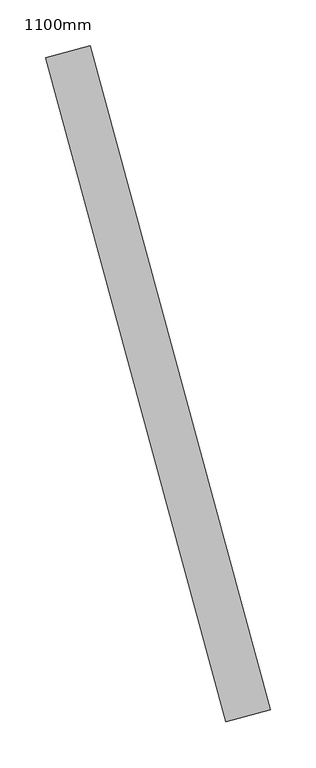
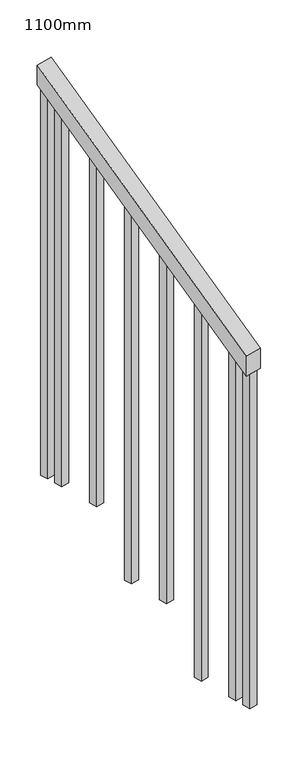
"""IFC4 building model written with IfcOpenShell, lengths in millimetres: railing geometry, 1100mm."""

import ifcopenshell
import ifcopenshell.guid

model = None  # the IFC model being written
_history = None  # IfcOwnerHistory: only IFC2X3 demands one
_inside = {}  # id of a spatial element -> (the spatial element, [elements in it])
_under = {}  # id of a project, library or spatial element -> (it, [spatial elements below it])
_declared = {}  # id of a project -> (the project, [libraries it declares])
_typed = {}  # id of a type object -> (the type object, [elements of that type])
_made_of = {}  # id of a material, layer set ... -> (it, [elements and type objects made of it])


def new_model(schema):
    """Start an empty IFC model of exactly this schema.

    Asked for "IFC4X3", IfcOpenShell would pick the latest addendum, in which some entities
    have other attributes; the version numbers below select the first issue.
    IFC2X3 requires an IfcOwnerHistory on every rooted entity: one is made here for all.
    """
    global model, _history
    if schema == "IFC4X3":
        model = ifcopenshell.file(schema_version=(4, 3, 0, 0))
    else:
        model = ifcopenshell.file(schema=schema)
    _inside.clear()
    _under.clear()
    _declared.clear()
    _typed.clear()
    _made_of.clear()
    _history = None
    if model.schema == "IFC2X3":
        org = make("IfcOrganization", Name="unknown")
        user = make(
            "IfcPersonAndOrganization",
            ThePerson=make("IfcPerson", FamilyName="unknown"),
            TheOrganization=org,
        )
        app = make(
            "IfcApplication",
            ApplicationDeveloper=org,
            Version="unknown",
            ApplicationFullName="unknown",
            ApplicationIdentifier="unknown",
        )
        _history = make(
            "IfcOwnerHistory",
            OwningUser=user,
            OwningApplication=app,
            ChangeAction="ADDED",
            CreationDate=0,
        )
    return model


def make(cls, **values):
    """One entity of the class cls with the attributes given. An attribute that is None is left unset."""
    return model.create_entity(
        cls, **{name: value for name, value in values.items() if value is not None}
    )


def rooted(cls, **values):
    """An entity with a GlobalId (a new one), such as an element, a storey or a relation."""
    return make(cls, GlobalId=ifcopenshell.guid.new(), OwnerHistory=_history, **values)


def si_unit(unit_type, name, prefix=None):
    """IfcSIUnit, for example si_unit("LENGTHUNIT", "METRE", prefix="MILLI")."""
    return make("IfcSIUnit", UnitType=unit_type, Prefix=prefix, Name=name)


def assignment(units):
    """IfcUnitAssignment: the units of a project."""
    return None if units is None else make("IfcUnitAssignment", Units=units)


def point(xyz):
    """IfcCartesianPoint."""
    return None if xyz is None else make("IfcCartesianPoint", Coordinates=xyz)


def direction(xyz):
    """IfcDirection."""
    return None if xyz is None else make("IfcDirection", DirectionRatios=xyz)


def frame(location, z_axis=None, x_axis=None):
    """IfcAxis2Placement3D, a coordinate frame: its origin and axes. An axis left out is left unset."""
    return make(
        "IfcAxis2Placement3D",
        Location=point(location),
        Axis=direction(z_axis),
        RefDirection=direction(x_axis),
    )


def origin():
    """The frame at (0, 0, 0) with its axes left unset."""
    return frame((0.0, 0.0, 0.0))


def place(relative_to, where):
    """IfcLocalPlacement: puts the frame where relative to a parent placement (None: the world)."""
    return make(
        "IfcLocalPlacement", PlacementRelTo=relative_to, RelativePlacement=where
    )


def context(
    kind, dimensions, precision=None, world=None, true_north=None, identifier=None
):
    """IfcGeometricRepresentationContext, for example the 3D "Model" context."""
    return make(
        "IfcGeometricRepresentationContext",
        ContextIdentifier=identifier,
        ContextType=kind,
        CoordinateSpaceDimension=dimensions,
        Precision=precision,
        WorldCoordinateSystem=world,
        TrueNorth=true_north,
    )


def project(units=None, contexts=None):
    """IfcProject with its units and contexts."""
    return rooted(
        "IfcProject",
        Name="project",
        RepresentationContexts=contexts,
        UnitsInContext=assignment(units),
    )


def spatial(cls, under=None, at=None, **own):
    """A site, building, storey or space (cls), placed at a placement, below another one or the project."""
    s = rooted(cls, ObjectPlacement=at, **own)
    if under is not None:
        _under.setdefault(under.id(), (under, []))[1].append(s)
    return s


def polyline(points):
    """IfcPolyline through the points."""
    return make("IfcPolyline", Points=[point(p) for p in points])


def outline(outer, holes=None, kind="AREA"):
    """IfcArbitraryClosedProfileDef: a profile drawn as a closed curve; with holes, ...WithVoids."""
    if holes is None:
        return make("IfcArbitraryClosedProfileDef", ProfileType=kind, OuterCurve=outer)
    return make(
        "IfcArbitraryProfileDefWithVoids",
        ProfileType=kind,
        OuterCurve=outer,
        InnerCurves=holes,
    )


def extrude(swept, where, along, depth):
    """IfcExtrudedAreaSolid: the profile swept, set in the frame where, extruded along a direction by depth."""
    return make(
        "IfcExtrudedAreaSolid",
        SweptArea=swept,
        Position=where,
        ExtrudedDirection=direction(along),
        Depth=depth,
    )


def shape(context_of_items, identifier, shape_type, items):
    """IfcShapeRepresentation: the items that make up one representation, for example the "Body"."""
    return make(
        "IfcShapeRepresentation",
        ContextOfItems=context_of_items,
        RepresentationIdentifier=identifier,
        RepresentationType=shape_type,
        Items=items,
    )


def source(mapping_origin, context_of_items, identifier, shape_type, items):
    """IfcRepresentationMap: a shape defined once, which mapped items show again and again."""
    return make(
        "IfcRepresentationMap",
        MappingOrigin=mapping_origin,
        MappedRepresentation=shape(context_of_items, identifier, shape_type, items),
    )


def transform(
    local_origin,
    x_axis=None,
    y_axis=None,
    z_axis=None,
    scale=None,
    scale2=None,
    scale3=None,
    uniform=True,
):
    """IfcCartesianTransformationOperator3D, or its non-uniform kind. x_axis, y_axis, z_axis: its Axis1, 2, 3."""
    if uniform:
        return make(
            "IfcCartesianTransformationOperator3D",
            Axis1=direction(x_axis),
            Axis2=direction(y_axis),
            LocalOrigin=point(local_origin),
            Scale=scale,
            Axis3=direction(z_axis),
        )
    return make(
        "IfcCartesianTransformationOperator3DnonUniform",
        Axis1=direction(x_axis),
        Axis2=direction(y_axis),
        LocalOrigin=point(local_origin),
        Scale=scale,
        Axis3=direction(z_axis),
        Scale2=scale2,
        Scale3=scale3,
    )


def mapped(mapping_source, mapping_target):
    """IfcMappedItem: shows the shape of a source again, moved by a transform."""
    return make(
        "IfcMappedItem", MappingSource=mapping_source, MappingTarget=mapping_target
    )


def made_of(thing, what):
    """Note that an element or type object is made of a material, layer set ...; save() writes the relation."""
    if what is not None:
        _made_of.setdefault(what.id(), (what, []))[1].append(thing)
    return thing


def element(
    cls,
    number,
    at=None,
    inside=None,
    cuts=None,
    type_object=None,
    material=None,
    context=None,
    identifier="Body",
    shape_type=None,
    held_by="IfcProductDefinitionShape",
    body=None,
    shapes=None,
    **own,
):
    """One element of the class cls, such as IfcWall. Its Tag is "e" and its number.

    at: its placement. inside: the storey or other place that contains it. cuts: it is an
    opening in that element (IfcRelVoidsElement). A single representation is given by context,
    identifier, shape_type and body (its items); several are given by shapes. held_by: the class
    of the entity that holds the representations. save() writes the other relations.
    """
    e = rooted(cls, Tag="e%d" % number, ObjectPlacement=at, **own)
    if body is not None:
        shapes = [shape(context, identifier, shape_type, body)]
    if shapes is not None:
        e.Representation = make(held_by, Representations=shapes)
    if inside is not None:
        _inside.setdefault(inside.id(), (inside, []))[1].append(e)
    if cuts is not None:
        rooted(
            "IfcRelVoidsElement", RelatingBuildingElement=cuts, RelatedOpeningElement=e
        )
    if type_object is not None:
        _typed.setdefault(type_object.id(), (type_object, []))[1].append(e)
    return made_of(e, material)


def aggregate(whole, parts):
    """IfcRelAggregates: a whole, such as a stair, and the parts it consists of."""
    return rooted("IfcRelAggregates", RelatingObject=whole, RelatedObjects=parts)


def save(model, path):
    """Write the relations noted so far, then the file.

    IfcRelAggregates (storeys below a building ...), IfcRelContainedInSpatialStructure (elements
    in a storey), IfcRelDefinesByType, IfcRelAssociatesMaterial and IfcRelDeclares: one each for
    every whole, place, type object, material and project.
    """
    for whole, parts in _under.values():
        aggregate(whole, parts)
    for where, things in _inside.values():
        rooted(
            "IfcRelContainedInSpatialStructure",
            RelatedElements=things,
            RelatingStructure=where,
        )
    for kind, things in _typed.values():
        rooted("IfcRelDefinesByType", RelatedObjects=things, RelatingType=kind)
    for what, things in _made_of.values():
        rooted("IfcRelAssociatesMaterial", RelatedObjects=things, RelatingMaterial=what)
    for by, libraries in _declared.values():
        rooted("IfcRelDeclares", RelatingContext=by, RelatedDefinitions=libraries)
    model.write(path)


def railing_1100mm_5b8e1afb(model_context):
    return source(origin(), model_context, "Body", "SweptSolid", [
        extrude(outline(polyline([(-35.5555555, -50.0), (0.0, 0.0), (920.2958462, 0.0), (884.7402906, -50.0), (-35.5555555, -50.0)])), frame((48971.4520596, 40798.2375755, 1277.7777778), z_axis=(0.9649894123601823, 0.26228883703419403, 0.0), x_axis=(-0.21375368431596392, 0.7864232597554083, 0.5795237863599982)), (0.0, 0.0, 1.0), 50.0),
        extrude(outline(polyline([(108.8888889, 0.0), (91.1111112, 25.0000001), (1271.980277, 25.0000001), (1271.980277, 0.0), (108.8888889, 0.0)])), frame((48806.4694623, 41452.8840393, 1805.3136103), z_axis=(0.9649894123601821, 0.2622888370341949, 0.0), x_axis=(0.0, 0.0, -1.0)), (0.0, 0.0, 1.0), 25.0),
        extrude(outline(polyline([(108.8888889, 0.0), (91.1111111, 25.0), (1183.0913881, 25.0), (1183.0913881, 0.0), (108.8888889, 0.0)])), frame((48839.2555669, 41332.2603628, 1716.4247214), z_axis=(0.9649894123601821, 0.2622888370341949, 0.0), x_axis=(0.0, 0.0, -1.0)), (0.0, 0.0, 1.0), 25.0),
        extrude(outline(polyline([(108.8888889, 0.0), (91.1111111, 25.0), (1271.9802769, 25.0), (1271.9802769, 0.0), (108.8888889, 0.0)])), frame((48872.0416715, 41211.6366863, 1627.5358325), z_axis=(0.9649894123601821, 0.2622888370341949, 0.0), x_axis=(0.0, 0.0, -1.0)), (0.0, 0.0, 1.0), 25.0),
        extrude(outline(polyline([(108.8888889, 0.0), (91.1111111, 25.0), (1183.091388, 25.0), (1183.091388, 0.0), (108.8888889, 0.0)])), frame((48904.8277762, 41091.0130097, 1538.6469436), z_axis=(0.9649894123601821, 0.2622888370341949, 0.0), x_axis=(0.0, 0.0, -1.0)), (0.0, 0.0, 1.0), 25.0),
        extrude(outline(polyline([(108.8888889, 0.0), (91.1111111, 25.0), (1271.9802769, 25.0), (1271.9802769, 0.0), (108.8888889, 0.0)])), frame((48937.6138808, 40970.3893332, 1449.7580547), z_axis=(0.9649894123601821, 0.2622888370341949, 0.0), x_axis=(0.0, 0.0, -1.0)), (0.0, 0.0, 1.0), 25.0),
        extrude(outline(polyline([(108.8888889, 0.0), (91.1111111, 25.0), (1183.091388, 25.0), (1183.091388, 0.0), (108.8888889, 0.0)])), frame((48970.3999854, 40849.7656566, 1360.8691658), z_axis=(0.9649894123601821, 0.2622888370341949, 0.0), x_axis=(0.0, 0.0, -1.0)), (0.0, 0.0, 1.0), 25.0),
        extrude(outline(polyline([(108.8888889, 0.0), (91.1111111, 25.0), (1307.5358325, 25.0), (1307.5358325, 0.0), (108.8888889, 0.0)])), frame((48793.3550204, 41501.13351, 1840.8691658), z_axis=(0.9649894123601821, 0.2622888370341949, 0.0), x_axis=(0.0, 0.0, -1.0)), (0.0, 0.0, 1.0), 25.0),
        extrude(outline(polyline([(108.8888889, 0.0), (91.1111112, 25.0), (1147.5358325, 25.0), (1147.5358325, 0.0), (108.8888889, 0.0)])), frame((48983.5144273, 40801.516186, 1325.3136103), z_axis=(0.9649894123601821, 0.2622888370341949, 0.0), x_axis=(0.0, 0.0, -1.0)), (0.0, 0.0, 1.0), 25.0),
    ])


if __name__ == "__main__":
    model = new_model("IFC4")
    model_context = context("Model", 3, world=origin())
    ifc_project = project(units=[si_unit("LENGTHUNIT", "METRE", prefix="MILLI")], contexts=[model_context])
    site = spatial("IfcSite", under=ifc_project)
    building = spatial("IfcBuilding", under=site)
    placement = place(None, origin())
    railing_1100mm_shape = railing_1100mm_5b8e1afb(model_context)
    element("IfcRailing", 1, ObjectType="1100mm", at=placement, inside=building, context=model_context, shape_type="MappedRepresentation", body=[
        mapped(railing_1100mm_shape, transform((0.0, 0.0, 0.0), x_axis=(1.0, 0.0, 0.0), y_axis=(0.0, 1.0, 0.0), z_axis=(0.0, 0.0, 1.0))),
    ])
    save(model, "model.ifc")
